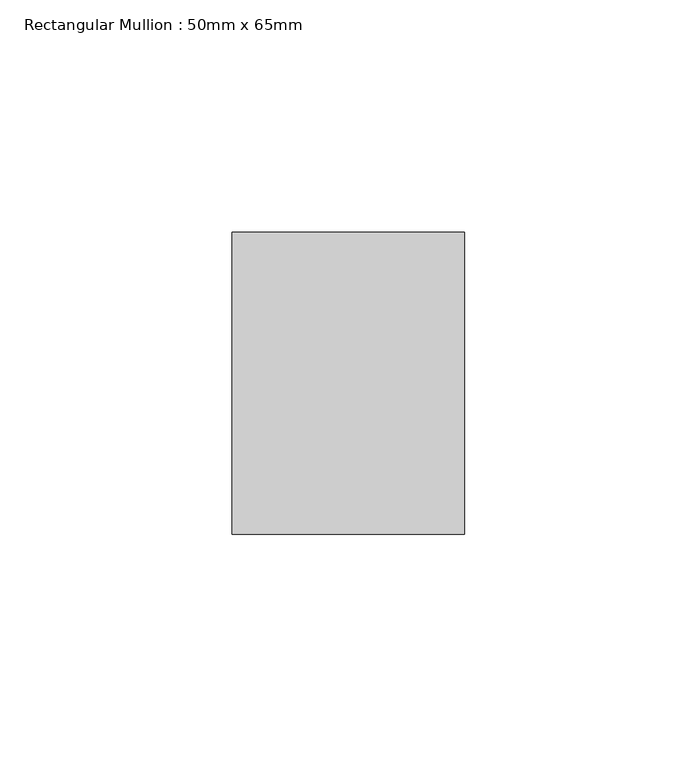
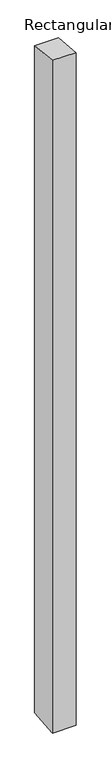
"""IFC4 building model written with IfcOpenShell, lengths in millimetres: member geometry, Rectangular Mullion : 50mm x 65mm."""

from ifc_helpers import new_model, si_unit, origin, place, context, project, spatial, faceted_brep, source, transform, mapped, element, save


def rectangular_mullion_50mm_x_65mm_a069df89(model_context):
    return source(origin(), model_context, "Body", "Brep", [
        faceted_brep([(-25.0, 32.5, -3.3716826), (25.0, 32.5, -3.3716781), (25.0, 32.5, -1496.8525655), (-25.0, 32.5, -1496.8525613), (-25.0, -32.5, 3.3716781), (-25.0, -32.5, -1503.1464309), (25.0, -32.5, 3.3716826), (25.0, -32.5, -1503.1464351)], [[[0, 1, 2, 3]], [[4, 0, 3, 5]], [[6, 4, 5, 7]], [[1, 6, 7, 2]], [[1, 0, 4, 6]], [[2, 7, 5, 3]]]),
    ])


if __name__ == "__main__":
    model = new_model("IFC4")
    model_context = context("Model", 3, world=origin())
    ifc_project = project(units=[si_unit("LENGTHUNIT", "METRE", prefix="MILLI")], contexts=[model_context])
    site = spatial("IfcSite", under=ifc_project)
    building = spatial("IfcBuilding", under=site)
    placement = place(None, origin())
    rectangular_mullion_50mm_x_65mm_shape = rectangular_mullion_50mm_x_65mm_a069df89(model_context)
    element("IfcMember", 1, ObjectType="Rectangular Mullion : 50mm x 65mm", at=placement, inside=building, context=model_context, shape_type="MappedRepresentation", body=[
        mapped(rectangular_mullion_50mm_x_65mm_shape, transform((0.0, 0.0, 0.0), x_axis=(1.0, 0.0, 0.0), y_axis=(0.0, 1.0, 0.0), z_axis=(0.0, 0.0, 1.0))),
    ])
    save(model, "model.ifc")
